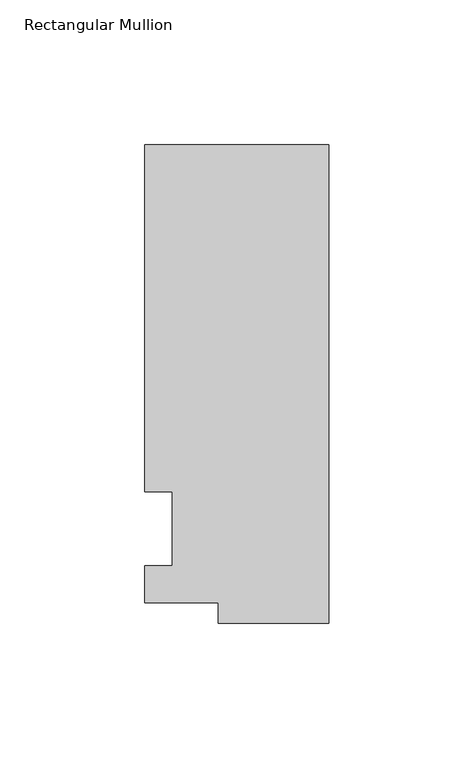
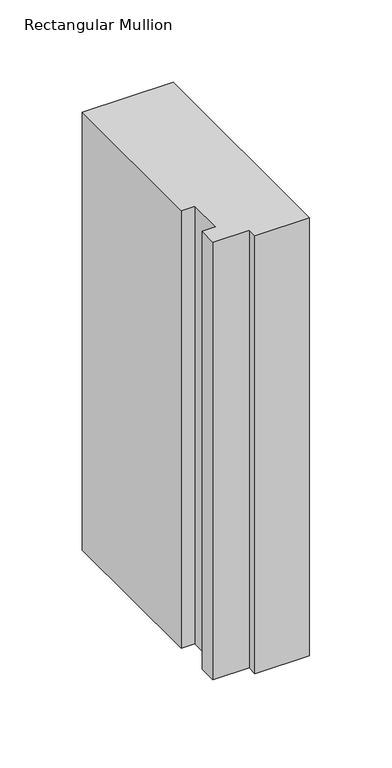
"""IFC4 building model written with IfcOpenShell, lengths in millimetres: member geometry, Rectangular Mullion."""

from ifc_helpers import new_model, si_unit, frame, origin, place, context, project, spatial, polyline, outline, extrude, source, transform, mapped, element, save


def rectangular_mullion_5f09983c(model_context):
    return source(origin(), model_context, "Body", "SweptSolid", [
        extrude(outline(polyline([(-38.1, -32.54375), (-38.1, -25.58415), (-63.5, -25.58415), (-63.5, -12.7), (-53.975, -12.7), (-53.975, 12.7), (-63.5, 12.7), (-63.5, 132.55625), (0.0, 132.55625), (0.0, -32.54375), (-38.1, -32.54375)])), frame((0.0, 0.0, -324.0836212), z_axis=(0.0, 0.0, 1.0), x_axis=(1.0, 0.0, 0.0)), (0.0, 0.0, 1.0), 324.0836212),
    ])


if __name__ == "__main__":
    model = new_model("IFC4")
    model_context = context("Model", 3, world=origin())
    ifc_project = project(units=[si_unit("LENGTHUNIT", "METRE", prefix="MILLI")], contexts=[model_context])
    site = spatial("IfcSite", under=ifc_project)
    building = spatial("IfcBuilding", under=site)
    placement = place(None, origin())
    rectangular_mullion_shape = rectangular_mullion_5f09983c(model_context)
    element("IfcMember", 1, ObjectType="Rectangular Mullion", at=placement, inside=building, context=model_context, shape_type="MappedRepresentation", body=[
        mapped(rectangular_mullion_shape, transform((0.0, 0.0, 0.0), x_axis=(1.0, 0.0, 0.0), y_axis=(0.0, 1.0, 0.0), z_axis=(0.0, 0.0, 1.0))),
    ])
    save(model, "model.ifc")
